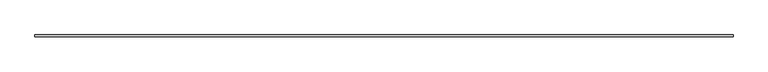
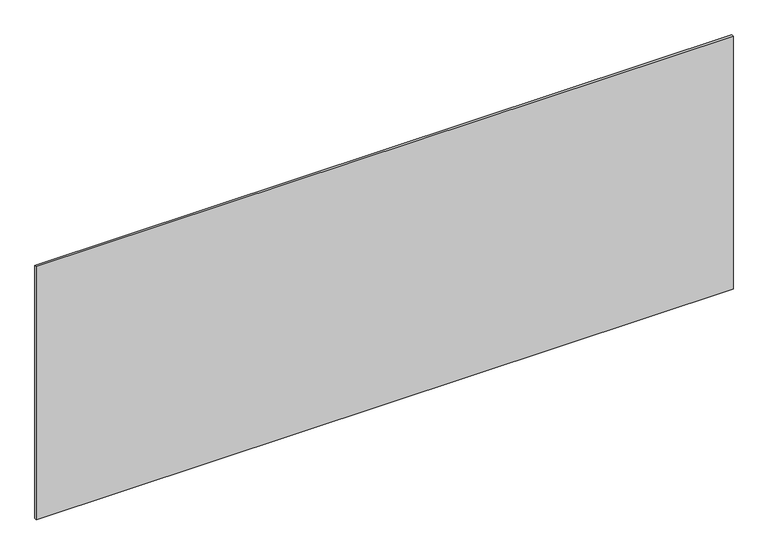
"""IFC4 building model written with IfcOpenShell, lengths in millimetres: plate geometry."""

from ifc_helpers import new_model, si_unit, origin, origin_with_axes, place, context, project, spatial, polyline, outline, extrude, source, transform, mapped, element, save


def plate_46db5dea(model_context):
    return source(origin(), model_context, "Body", "SweptSolid", [
        extrude(outline(polyline([(1697.5, -5.0), (-1697.5, -5.0), (-1697.5, 5.0), (1697.5, 5.0), (1697.5, -5.0)])), origin_with_axes(), (0.0, 0.0, 1.0), 1304.0022559),
    ])


if __name__ == "__main__":
    model = new_model("IFC4")
    model_context = context("Model", 3, world=origin())
    ifc_project = project(units=[si_unit("LENGTHUNIT", "METRE", prefix="MILLI")], contexts=[model_context])
    site = spatial("IfcSite", under=ifc_project)
    building = spatial("IfcBuilding", under=site)
    placement = place(None, origin())
    plate_shape = plate_46db5dea(model_context)
    element("IfcPlate", 1, at=placement, inside=building, context=model_context, shape_type="MappedRepresentation", body=[
        mapped(plate_shape, transform((0.0, 0.0, 0.0), x_axis=(1.0, 0.0, 0.0), y_axis=(0.0, 1.0, 0.0), z_axis=(0.0, 0.0, 1.0))),
    ])
    save(model, "model.ifc")
